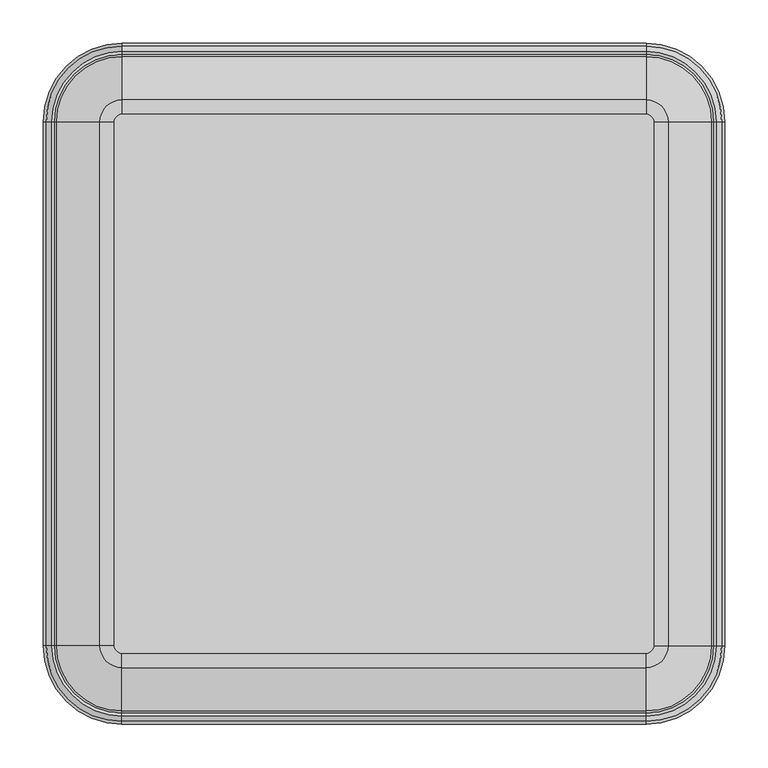
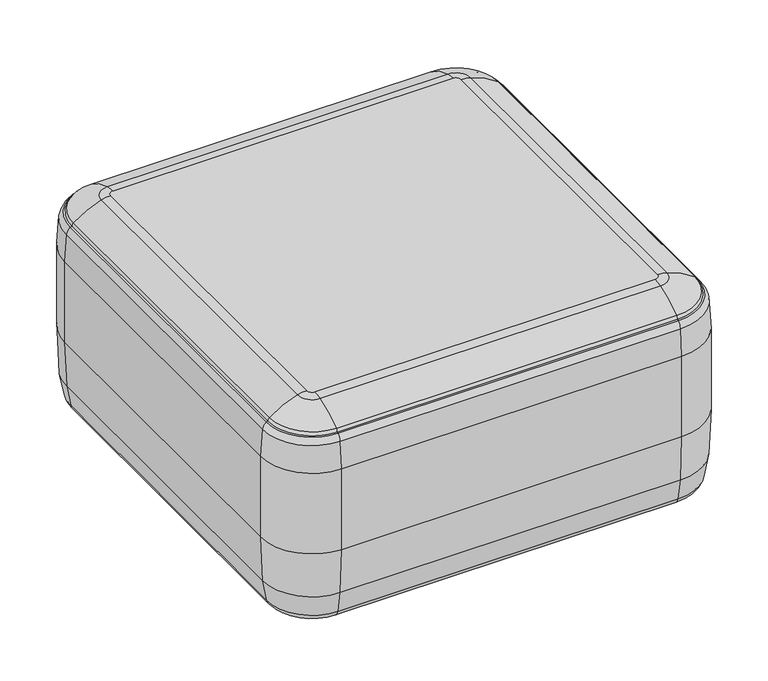
"""IFC4 building model written with IfcOpenShell, lengths in millimetres: furniture geometry."""

from ifc_helpers import new_model, si_unit, point, frame, origin, origin_with_axes, place, context, project, spatial, polyline, circle_curve, ellipse_curve, trimmed, outline, extrude, source, transform, mapped, element, save
from ifc_brep_helpers import plane_surface, cylinder_surface, revolved_surface, advanced_brep


def furniture_4ed78b52(model_context):
    return source(origin(), model_context, "Body", "SolidModel", [
        advanced_brep(
        [(-303.8564069, 391.2847288, 66.6428027), (-391.5582218, 303.5829138, 66.6428027), (-395.2964069, 303.5829138, 150.0055551), (-303.8564069, 395.0229138, 150.0055551), (-303.8564069, 384.0850563, 26.6784113), (-384.3585493, 303.5829138, 26.6784113), (-303.8564069, 362.6354646, 10.3055551), (-362.9089576, 303.5829138, 10.3055551), (303.8564069, 395.0229138, 150.0055551), (303.8564069, 391.2847288, 66.6428027), (303.8564069, 384.0850563, 26.6784113), (303.8564069, 362.6354646, 10.3055551), (395.2964069, 303.5829138, 150.0055551), (391.5582218, 303.5829138, 66.6428027), (384.3585493, 303.5829138, 26.6784113), (362.9089576, 303.5829138, 10.3055551), (395.2964069, -303.5829138, 150.0055551), (391.5582218, -303.5829138, 66.6428027), (384.3585493, -303.5829138, 26.6784113), (362.9089576, -303.5829138, 10.3055551), (303.8564069, -395.0229138, 150.0055551), (303.8564069, -391.2847288, 66.6428027), (303.8564069, -384.0850563, 26.6784113), (303.8564069, -362.6354646, 10.3055551), (-303.8564069, -395.0229138, 150.0055551), (-303.8564069, -391.2847288, 66.6428027), (-303.8564069, -384.0850563, 26.6784113), (-303.8564069, -362.6354646, 10.3055551), (-395.2964069, -303.5829138, 150.0055551), (-391.5582218, -303.5829138, 66.6428027), (-384.3585493, -303.5829138, 26.6784113), (-362.9089576, -303.5829138, 10.3055551), (-312.7464069, 303.5829138, 397.6555551), (-312.7464069, -303.5829138, 397.6555551), (-303.8564069, -312.4729138, 397.6555551), (303.8564069, -312.4729138, 397.6555551), (312.7464069, -303.5829138, 397.6555551), (312.7464069, 303.5829138, 397.6555551), (303.8564069, 312.4729138, 397.6555551), (-303.8564069, 312.4729138, 397.6555551), (-303.8564069, 329.1183199, 395.3686884), (-329.391813, 303.5829138, 395.3686884), (-303.8564069, 379.4573105, 369.9277622), (-379.7308036, 303.5829138, 369.9277622), (-303.8564069, 391.4318128, 352.1420231), (-391.7053059, 303.5829138, 352.1420231), (-385.6339942, 303.5829138, 363.2430683), (-303.8564069, 385.3605011, 363.2430683), (-303.8564069, 395.0229138, 302.4055551), (-395.2964069, 303.5829138, 302.4055551), (303.8564069, 329.1183199, 395.3686884), (303.8564069, 379.4573105, 369.9277622), (303.8564069, 385.3605011, 363.2430683), (303.8564069, 391.4318128, 352.1420231), (303.8564069, 395.0229138, 302.4055551), (329.391813, 303.5829138, 395.3686884), (379.7308036, 303.5829138, 369.9277622), (385.6339942, 303.5829138, 363.2430683), (391.7053059, 303.5829138, 352.1420231), (395.2964069, 303.5829138, 302.4055551), (329.391813, -303.5829138, 395.3686884), (379.7308036, -303.5829138, 369.9277622), (385.6339942, -303.5829138, 363.2430683), (391.7053059, -303.5829138, 352.1420231), (395.2964069, -303.5829138, 302.4055551), (303.8564069, -329.1183199, 395.3686884), (303.8564069, -379.4573105, 369.9277622), (303.8564069, -385.3605011, 363.2430683), (303.8564069, -391.4318128, 352.1420231), (303.8564069, -395.0229138, 302.4055551), (-303.8564069, -329.1183199, 395.3686884), (-303.8564069, -379.4573105, 369.9277622), (-303.8564069, -385.3605011, 363.2430683), (-303.8564069, -391.4318128, 352.1420231), (-303.8564069, -395.0229138, 302.4055551), (-329.391813, -303.5829138, 395.3686884), (-379.7308036, -303.5829138, 369.9277622), (-385.6339942, -303.5829138, 363.2430683), (-391.7053059, -303.5829138, 352.1420231), (-395.2964069, -303.5829138, 302.4055551), (-303.8564069, 381.4510186, 363.5559782), (-381.7245117, 303.5829138, 363.5559782), (303.8564069, 381.4510186, 363.5559782), (381.7245117, 303.5829138, 363.5559782), (381.7245117, -303.5829138, 363.5559782), (303.8564069, -381.4510186, 363.5559782), (-303.8564069, -381.4510186, 363.5559782), (-381.7245117, -303.5829138, 363.5559782)],
        [
            (0, 1, circle_curve(frame((-303.8564069, 303.5829138, 66.6428027), z_axis=(0.0, 0.0, 1.0), x_axis=(-1.0, 0.0, 0.0)), 87.7018149)),
            (1, 2, circle_curve(frame((536.081041, 303.5829138, 150.0055551), z_axis=(0.0, 1.0, 0.0), x_axis=(-1.0, 0.0, 0.0)), 931.3774478)),
            (2, 3, circle_curve(frame((-303.8564069, 303.5829138, 150.0055551), z_axis=(0.0, 0.0, -1.0), x_axis=(-1.0, 0.0, 0.0)), 91.44)),
            (3, 0, circle_curve(frame((-303.8564069, -536.354534, 150.0055551), z_axis=(-1.0, 0.0, 0.0), x_axis=(0.0, 1.0, 0.0)), 931.3774478)),
            (0, 4, circle_curve(frame((-303.8564069, 162.7824817, 87.177268), z_axis=(-1.0, 0.0, 0.0), x_axis=(0.0, 1.0, 0.0)), 229.4230615)),
            (4, 5, circle_curve(frame((-303.8564069, 303.5829138, 26.6784113), z_axis=(0.0, 0.0, 1.0), x_axis=(-1.0, 0.0, 0.0)), 80.5021425)),
            (5, 1, circle_curve(frame((-163.0559748, 303.5829138, 87.177268), z_axis=(0.0, 1.0, 0.0), x_axis=(-1.0, 0.0, 0.0)), 229.4230615)),
            (4, 6, circle_curve(frame((-303.8564069, 362.6354646, 32.5422191), z_axis=(-1.0, 0.0, 0.0), x_axis=(0.0, 1.0, 0.0)), 22.236664)),
            (6, 7, circle_curve(frame((-303.8564069, 303.5829138, 10.3055551), z_axis=(0.0, 0.0, 1.0), x_axis=(-1.0, 0.0, 0.0)), 59.0525507)),
            (7, 5, circle_curve(frame((-362.9089576, 303.5829138, 32.5422191), z_axis=(0.0, 1.0, 0.0), x_axis=(-1.0, 0.0, 0.0)), 22.236664)),
            (3, 8),
            (8, 9, circle_curve(frame((303.8564069, -536.354534, 150.0055551), z_axis=(-1.0, 0.0, 0.0), x_axis=(0.0, 1.0, 0.0)), 931.3774478)),
            (9, 0),
            (9, 10, circle_curve(frame((303.8564069, 162.7824817, 87.177268), z_axis=(-1.0, 0.0, 0.0), x_axis=(0.0, 1.0, 0.0)), 229.4230615)),
            (10, 4),
            (10, 11, circle_curve(frame((303.8564069, 362.6354646, 32.5422191), z_axis=(-1.0, 0.0, 0.0), x_axis=(0.0, 1.0, 0.0)), 22.236664)),
            (11, 6),
            (8, 12, circle_curve(frame((303.8564069, 303.5829138, 150.0055551), z_axis=(0.0, 0.0, -1.0), x_axis=(0.0, 1.0, 0.0)), 91.44)),
            (12, 13, circle_curve(frame((-536.081041, 303.5829138, 150.0055551), z_axis=(0.0, 1.0, 0.0), x_axis=(1.0, 0.0, 0.0)), 931.3774478)),
            (13, 9, circle_curve(frame((303.8564069, 303.5829138, 66.6428027), z_axis=(0.0, 0.0, 1.0), x_axis=(0.0, 1.0, 0.0)), 87.7018149)),
            (13, 14, circle_curve(frame((163.0559748, 303.5829138, 87.177268), z_axis=(0.0, 1.0, 0.0), x_axis=(1.0, 0.0, 0.0)), 229.4230615)),
            (14, 10, circle_curve(frame((303.8564069, 303.5829138, 26.6784113), z_axis=(0.0, 0.0, 1.0), x_axis=(0.0, 1.0, 0.0)), 80.5021425)),
            (14, 15, circle_curve(frame((362.9089576, 303.5829138, 32.5422191), z_axis=(0.0, 1.0, 0.0), x_axis=(1.0, 0.0, 0.0)), 22.236664)),
            (15, 11, circle_curve(frame((303.8564069, 303.5829138, 10.3055551), z_axis=(0.0, 0.0, 1.0), x_axis=(0.0, 1.0, 0.0)), 59.0525507)),
            (12, 16),
            (16, 17, circle_curve(frame((-536.081041, -303.5829138, 150.0055551), z_axis=(0.0, 1.0, 0.0), x_axis=(1.0, 0.0, 0.0)), 931.3774478)),
            (17, 13),
            (17, 18, circle_curve(frame((163.0559748, -303.5829138, 87.177268), z_axis=(0.0, 1.0, 0.0), x_axis=(1.0, 0.0, 0.0)), 229.4230615)),
            (18, 14),
            (18, 19, circle_curve(frame((362.9089576, -303.5829138, 32.5422191), z_axis=(0.0, 1.0, 0.0), x_axis=(1.0, 0.0, 0.0)), 22.236664)),
            (19, 15),
            (16, 20, circle_curve(frame((303.8564069, -303.5829138, 150.0055551), z_axis=(0.0, 0.0, -1.0), x_axis=(1.0, 0.0, 0.0)), 91.44)),
            (20, 21, circle_curve(frame((303.8564069, 536.354534, 150.0055551), z_axis=(1.0, 0.0, 0.0), x_axis=(0.0, -1.0, 0.0)), 931.3774478)),
            (21, 17, circle_curve(frame((303.8564069, -303.5829138, 66.6428027), z_axis=(0.0, 0.0, 1.0), x_axis=(1.0, 0.0, 0.0)), 87.7018149)),
            (21, 22, circle_curve(frame((303.8564069, -162.7824817, 87.177268), z_axis=(1.0, 0.0, 0.0), x_axis=(0.0, -1.0, 0.0)), 229.4230615)),
            (22, 18, circle_curve(frame((303.8564069, -303.5829138, 26.6784113), z_axis=(0.0, 0.0, 1.0), x_axis=(1.0, 0.0, 0.0)), 80.5021425)),
            (22, 23, circle_curve(frame((303.8564069, -362.6354646, 32.5422191), z_axis=(1.0, 0.0, 0.0), x_axis=(0.0, -1.0, 0.0)), 22.236664)),
            (23, 19, circle_curve(frame((303.8564069, -303.5829138, 10.3055551), z_axis=(0.0, 0.0, 1.0), x_axis=(1.0, 0.0, 0.0)), 59.0525507)),
            (20, 24),
            (24, 25, circle_curve(frame((-303.8564069, 536.354534, 150.0055551), z_axis=(1.0, 0.0, 0.0), x_axis=(0.0, -1.0, 0.0)), 931.3774478)),
            (25, 21),
            (25, 26, circle_curve(frame((-303.8564069, -162.7824817, 87.177268), z_axis=(1.0, 0.0, 0.0), x_axis=(0.0, -1.0, 0.0)), 229.4230615)),
            (26, 22),
            (26, 27, circle_curve(frame((-303.8564069, -362.6354646, 32.5422191), z_axis=(1.0, 0.0, 0.0), x_axis=(0.0, -1.0, 0.0)), 22.236664)),
            (27, 23),
            (24, 28, circle_curve(frame((-303.8564069, -303.5829138, 150.0055551), z_axis=(0.0, 0.0, -1.0), x_axis=(0.0, -1.0, 0.0)), 91.44)),
            (28, 29, circle_curve(frame((536.081041, -303.5829138, 150.0055551), z_axis=(0.0, -1.0, 0.0), x_axis=(-1.0, 0.0, 0.0)), 931.3774478)),
            (29, 25, circle_curve(frame((-303.8564069, -303.5829138, 66.6428027), z_axis=(0.0, 0.0, 1.0), x_axis=(0.0, -1.0, 0.0)), 87.7018149)),
            (29, 30, circle_curve(frame((-163.0559748, -303.5829138, 87.177268), z_axis=(0.0, -1.0, 0.0), x_axis=(-1.0, 0.0, 0.0)), 229.4230615)),
            (30, 26, circle_curve(frame((-303.8564069, -303.5829138, 26.6784113), z_axis=(0.0, 0.0, 1.0), x_axis=(0.0, -1.0, 0.0)), 80.5021425)),
            (30, 31, circle_curve(frame((-362.9089576, -303.5829138, 32.5422191), z_axis=(0.0, -1.0, 0.0), x_axis=(-1.0, 0.0, 0.0)), 22.236664)),
            (31, 27, circle_curve(frame((-303.8564069, -303.5829138, 10.3055551), z_axis=(0.0, 0.0, 1.0), x_axis=(0.0, -1.0, 0.0)), 59.0525507)),
            (1, 29),
            (28, 2),
            (5, 30),
            (7, 31),
            (32, 33),
            (33, 34, circle_curve(frame((-303.8564069, -303.5829138, 397.6555551), z_axis=(0.0, 0.0, 1.0), x_axis=(0.0, -1.0, 0.0)), 8.89)),
            (34, 35),
            (35, 36, circle_curve(frame((303.8564069, -303.5829138, 397.6555551), z_axis=(0.0, 0.0, 1.0), x_axis=(1.0, 0.0, 0.0)), 8.89)),
            (36, 37),
            (37, 38, circle_curve(frame((303.8564069, 303.5829138, 397.6555551), z_axis=(0.0, 0.0, 1.0), x_axis=(0.0, 1.0, 0.0)), 8.89)),
            (38, 39),
            (39, 32, circle_curve(frame((-303.8564069, 303.5829138, 397.6555551), z_axis=(0.0, 0.0, 1.0), x_axis=(-1.0, 0.0, 0.0)), 8.89)),
            (39, 40, circle_curve(frame((-303.8564069, 312.4729138, 335.9337006), z_axis=(-1.0, 0.0, 0.0), x_axis=(0.0, 1.0, 0.0)), 61.7218545)),
            (40, 41, circle_curve(frame((-303.8564069, 303.5829138, 395.3686884), z_axis=(0.0, 0.0, 1.0), x_axis=(-1.0, 0.0, 0.0)), 25.5354061)),
            (41, 32, circle_curve(frame((-312.7464069, 303.5829138, 335.9337006), z_axis=(0.0, 1.0, 0.0), x_axis=(-1.0, 0.0, 0.0)), 61.7218545)),
            (40, 42, circle_curve(frame((-303.8564069, 289.8452746, 255.1382274), z_axis=(-1.0, 0.0, 0.0), x_axis=(0.0, 1.0, 0.0)), 145.6260769)),
            (42, 43, circle_curve(frame((-303.8564069, 303.5829138, 369.9277622), z_axis=(0.0, 0.0, 1.0), x_axis=(-1.0, 0.0, 0.0)), 75.8743967)),
            (43, 41, circle_curve(frame((-290.1187677, 303.5829138, 255.1382274), z_axis=(0.0, 1.0, 0.0), x_axis=(-1.0, 0.0, 0.0)), 145.6260769)),
            (44, 45, circle_curve(frame((-303.8564069, 303.5829138, 352.1420231), z_axis=(0.0, 0.0, 1.0), x_axis=(-1.0, 0.0, 0.0)), 87.848899)),
            (45, 46, circle_curve(frame((-373.7569925, 303.5829138, 349.5366117), z_axis=(0.0, 1.0, 0.0), x_axis=(-1.0, 0.0, 0.0)), 18.1364308)),
            (46, 47, circle_curve(frame((-303.8564069, 303.5829138, 363.2430683), z_axis=(0.0, 0.0, -1.0), x_axis=(-1.0, 0.0, 0.0)), 81.7775873)),
            (47, 44, circle_curve(frame((-303.8564069, 373.4834994, 349.5366117), z_axis=(-1.0, 0.0, 0.0), x_axis=(0.0, 1.0, 0.0)), 18.1364308)),
            (44, 48, circle_curve(frame((-303.8564069, 48.8042689, 302.4055551), z_axis=(-1.0, 0.0, 0.0), x_axis=(0.0, 1.0, 0.0)), 346.2186449)),
            (48, 49, circle_curve(frame((-303.8564069, 303.5829138, 302.4055551), z_axis=(0.0, 0.0, 1.0), x_axis=(-1.0, 0.0, 0.0)), 91.44)),
            (49, 45, circle_curve(frame((-49.077762, 303.5829138, 302.4055551), z_axis=(0.0, 1.0, 0.0), x_axis=(-1.0, 0.0, 0.0)), 346.2186449)),
            (2, 49),
            (48, 3),
            (38, 50, circle_curve(frame((303.8564069, 312.4729138, 335.9337006), z_axis=(-1.0, 0.0, 0.0), x_axis=(0.0, 1.0, 0.0)), 61.7218545)),
            (50, 40),
            (50, 51, circle_curve(frame((303.8564069, 289.8452746, 255.1382274), z_axis=(-1.0, 0.0, 0.0), x_axis=(0.0, 1.0, 0.0)), 145.6260769)),
            (51, 42),
            (47, 52),
            (52, 53, circle_curve(frame((303.8564069, 373.4834994, 349.5366117), z_axis=(-1.0, 0.0, 0.0), x_axis=(0.0, 1.0, 0.0)), 18.1364308)),
            (53, 44),
            (53, 54, circle_curve(frame((303.8564069, 48.8042689, 302.4055551), z_axis=(-1.0, 0.0, 0.0), x_axis=(0.0, 1.0, 0.0)), 346.2186449)),
            (54, 48),
            (54, 8),
            (37, 55, circle_curve(frame((312.7464069, 303.5829138, 335.9337006), z_axis=(0.0, 1.0, 0.0), x_axis=(1.0, 0.0, 0.0)), 61.7218545)),
            (55, 50, circle_curve(frame((303.8564069, 303.5829138, 395.3686884), z_axis=(0.0, 0.0, 1.0), x_axis=(0.0, 1.0, 0.0)), 25.5354061)),
            (55, 56, circle_curve(frame((290.1187677, 303.5829138, 255.1382274), z_axis=(0.0, 1.0, 0.0), x_axis=(1.0, 0.0, 0.0)), 145.6260769)),
            (56, 51, circle_curve(frame((303.8564069, 303.5829138, 369.9277622), z_axis=(0.0, 0.0, 1.0), x_axis=(0.0, 1.0, 0.0)), 75.8743967)),
            (52, 57, circle_curve(frame((303.8564069, 303.5829138, 363.2430683), z_axis=(0.0, 0.0, -1.0), x_axis=(0.0, 1.0, 0.0)), 81.7775873)),
            (57, 58, circle_curve(frame((373.7569925, 303.5829138, 349.5366117), z_axis=(0.0, 1.0, 0.0), x_axis=(1.0, 0.0, 0.0)), 18.1364308)),
            (58, 53, circle_curve(frame((303.8564069, 303.5829138, 352.1420231), z_axis=(0.0, 0.0, 1.0), x_axis=(0.0, 1.0, 0.0)), 87.848899)),
            (58, 59, circle_curve(frame((49.077762, 303.5829138, 302.4055551), z_axis=(0.0, 1.0, 0.0), x_axis=(1.0, 0.0, 0.0)), 346.2186449)),
            (59, 54, circle_curve(frame((303.8564069, 303.5829138, 302.4055551), z_axis=(0.0, 0.0, 1.0), x_axis=(0.0, 1.0, 0.0)), 91.44)),
            (59, 12),
            (36, 60, circle_curve(frame((312.7464069, -303.5829138, 335.9337006), z_axis=(0.0, 1.0, 0.0), x_axis=(1.0, 0.0, 0.0)), 61.7218545)),
            (60, 55),
            (60, 61, circle_curve(frame((290.1187677, -303.5829138, 255.1382274), z_axis=(0.0, 1.0, 0.0), x_axis=(1.0, 0.0, 0.0)), 145.6260769)),
            (61, 56),
            (57, 62),
            (62, 63, circle_curve(frame((373.7569925, -303.5829138, 349.5366117), z_axis=(0.0, 1.0, 0.0), x_axis=(1.0, 0.0, 0.0)), 18.1364308)),
            (63, 58),
            (63, 64, circle_curve(frame((49.077762, -303.5829138, 302.4055551), z_axis=(0.0, 1.0, 0.0), x_axis=(1.0, 0.0, 0.0)), 346.2186449)),
            (64, 59),
            (64, 16),
            (35, 65, circle_curve(frame((303.8564069, -312.4729138, 335.9337006), z_axis=(1.0, 0.0, 0.0), x_axis=(0.0, -1.0, 0.0)), 61.7218545)),
            (65, 60, circle_curve(frame((303.8564069, -303.5829138, 395.3686884), z_axis=(0.0, 0.0, 1.0), x_axis=(1.0, 0.0, 0.0)), 25.5354061)),
            (65, 66, circle_curve(frame((303.8564069, -289.8452746, 255.1382274), z_axis=(1.0, 0.0, 0.0), x_axis=(0.0, -1.0, 0.0)), 145.6260769)),
            (66, 61, circle_curve(frame((303.8564069, -303.5829138, 369.9277622), z_axis=(0.0, 0.0, 1.0), x_axis=(1.0, 0.0, 0.0)), 75.8743967)),
            (62, 67, circle_curve(frame((303.8564069, -303.5829138, 363.2430683), z_axis=(0.0, 0.0, -1.0), x_axis=(1.0, 0.0, 0.0)), 81.7775873)),
            (67, 68, circle_curve(frame((303.8564069, -373.4834994, 349.5366117), z_axis=(1.0, 0.0, 0.0), x_axis=(0.0, -1.0, 0.0)), 18.1364308)),
            (68, 63, circle_curve(frame((303.8564069, -303.5829138, 352.1420231), z_axis=(0.0, 0.0, 1.0), x_axis=(1.0, 0.0, 0.0)), 87.848899)),
            (68, 69, circle_curve(frame((303.8564069, -48.8042689, 302.4055551), z_axis=(1.0, 0.0, 0.0), x_axis=(0.0, -1.0, 0.0)), 346.2186449)),
            (69, 64, circle_curve(frame((303.8564069, -303.5829138, 302.4055551), z_axis=(0.0, 0.0, 1.0), x_axis=(1.0, 0.0, 0.0)), 91.44)),
            (69, 20),
            (34, 70, circle_curve(frame((-303.8564069, -312.4729138, 335.9337006), z_axis=(1.0, 0.0, 0.0), x_axis=(0.0, -1.0, 0.0)), 61.7218545)),
            (70, 65),
            (70, 71, circle_curve(frame((-303.8564069, -289.8452746, 255.1382274), z_axis=(1.0, 0.0, 0.0), x_axis=(0.0, -1.0, 0.0)), 145.6260769)),
            (71, 66),
            (67, 72),
            (72, 73, circle_curve(frame((-303.8564069, -373.4834994, 349.5366117), z_axis=(1.0, 0.0, 0.0), x_axis=(0.0, -1.0, 0.0)), 18.1364308)),
            (73, 68),
            (73, 74, circle_curve(frame((-303.8564069, -48.8042689, 302.4055551), z_axis=(1.0, 0.0, 0.0), x_axis=(0.0, -1.0, 0.0)), 346.2186449)),
            (74, 69),
            (74, 24),
            (33, 75, circle_curve(frame((-312.7464069, -303.5829138, 335.9337006), z_axis=(0.0, -1.0, 0.0), x_axis=(-1.0, 0.0, 0.0)), 61.7218545)),
            (75, 70, circle_curve(frame((-303.8564069, -303.5829138, 395.3686884), z_axis=(0.0, 0.0, 1.0), x_axis=(0.0, -1.0, 0.0)), 25.5354061)),
            (75, 76, circle_curve(frame((-290.1187677, -303.5829138, 255.1382274), z_axis=(0.0, -1.0, 0.0), x_axis=(-1.0, 0.0, 0.0)), 145.6260769)),
            (76, 71, circle_curve(frame((-303.8564069, -303.5829138, 369.9277622), z_axis=(0.0, 0.0, 1.0), x_axis=(0.0, -1.0, 0.0)), 75.8743967)),
            (72, 77, circle_curve(frame((-303.8564069, -303.5829138, 363.2430683), z_axis=(0.0, 0.0, -1.0), x_axis=(0.0, -1.0, 0.0)), 81.7775873)),
            (77, 78, circle_curve(frame((-373.7569925, -303.5829138, 349.5366117), z_axis=(0.0, -1.0, 0.0), x_axis=(-1.0, 0.0, 0.0)), 18.1364308)),
            (78, 73, circle_curve(frame((-303.8564069, -303.5829138, 352.1420231), z_axis=(0.0, 0.0, 1.0), x_axis=(0.0, -1.0, 0.0)), 87.848899)),
            (78, 79, circle_curve(frame((-49.077762, -303.5829138, 302.4055551), z_axis=(0.0, -1.0, 0.0), x_axis=(-1.0, 0.0, 0.0)), 346.2186449)),
            (79, 74, circle_curve(frame((-303.8564069, -303.5829138, 302.4055551), z_axis=(0.0, 0.0, 1.0), x_axis=(0.0, -1.0, 0.0)), 91.44)),
            (79, 28),
            (41, 75),
            (43, 76),
            (45, 78),
            (77, 46),
            (49, 79),
            (42, 80, circle_curve(frame((-303.8564069, 375.8441184, 365.2994035), z_axis=(-1.0, 0.0, 0.0), x_axis=(0.0, -1.0, 0.0)), 5.8717001)),
            (80, 81, circle_curve(frame((-303.8564069, 303.5829138, 363.5559782), z_axis=(0.0, 0.0, 1.0), x_axis=(-1.0, 0.0, 0.0)), 77.8681048)),
            (81, 43, circle_curve(frame((-376.1176114, 303.5829138, 365.2994035), z_axis=(0.0, 1.0, 0.0), x_axis=(1.0, 0.0, 0.0)), 5.8717001)),
            (46, 81, circle_curve(frame((-383.4665273, 303.5829138, 360.7417392), z_axis=(0.0, 1.0, 0.0), x_axis=(1.0, 0.0, 0.0)), 3.3097674)),
            (80, 47, circle_curve(frame((-303.8564069, 383.1930343, 360.7417392), z_axis=(-1.0, 0.0, 0.0), x_axis=(0.0, -1.0, 0.0)), 3.3097674)),
            (51, 82, circle_curve(frame((303.8564069, 375.8441184, 365.2994035), z_axis=(-1.0, 0.0, 0.0), x_axis=(0.0, -1.0, 0.0)), 5.8717001)),
            (82, 80),
            (82, 52, circle_curve(frame((303.8564069, 383.1930343, 360.7417392), z_axis=(-1.0, 0.0, 0.0), x_axis=(0.0, -1.0, 0.0)), 3.3097674)),
            (56, 83, circle_curve(frame((376.1176114, 303.5829138, 365.2994035), z_axis=(0.0, 1.0, 0.0), x_axis=(-1.0, 0.0, 0.0)), 5.8717001)),
            (83, 82, circle_curve(frame((303.8564069, 303.5829138, 363.5559782), z_axis=(0.0, 0.0, 1.0), x_axis=(0.0, 1.0, 0.0)), 77.8681048)),
            (83, 57, circle_curve(frame((383.4665273, 303.5829138, 360.7417392), z_axis=(0.0, 1.0, 0.0), x_axis=(-1.0, 0.0, 0.0)), 3.3097674)),
            (61, 84, circle_curve(frame((376.1176114, -303.5829138, 365.2994035), z_axis=(0.0, 1.0, 0.0), x_axis=(-1.0, 0.0, 0.0)), 5.8717001)),
            (84, 83),
            (84, 62, circle_curve(frame((383.4665273, -303.5829138, 360.7417392), z_axis=(0.0, 1.0, 0.0), x_axis=(-1.0, 0.0, 0.0)), 3.3097674)),
            (66, 85, circle_curve(frame((303.8564069, -375.8441184, 365.2994035), z_axis=(1.0, 0.0, 0.0), x_axis=(0.0, 1.0, 0.0)), 5.8717001)),
            (85, 84, circle_curve(frame((303.8564069, -303.5829138, 363.5559782), z_axis=(0.0, 0.0, 1.0), x_axis=(1.0, 0.0, 0.0)), 77.8681048)),
            (85, 67, circle_curve(frame((303.8564069, -383.1930343, 360.7417392), z_axis=(1.0, 0.0, 0.0), x_axis=(0.0, 1.0, 0.0)), 3.3097674)),
            (71, 86, circle_curve(frame((-303.8564069, -375.8441184, 365.2994035), z_axis=(1.0, 0.0, 0.0), x_axis=(0.0, 1.0, 0.0)), 5.8717001)),
            (86, 85),
            (86, 72, circle_curve(frame((-303.8564069, -383.1930343, 360.7417392), z_axis=(1.0, 0.0, 0.0), x_axis=(0.0, 1.0, 0.0)), 3.3097674)),
            (76, 87, circle_curve(frame((-376.1176114, -303.5829138, 365.2994035), z_axis=(0.0, -1.0, 0.0), x_axis=(1.0, 0.0, 0.0)), 5.8717001)),
            (87, 86, circle_curve(frame((-303.8564069, -303.5829138, 363.5559782), z_axis=(0.0, 0.0, 1.0), x_axis=(0.0, -1.0, 0.0)), 77.8681048)),
            (87, 77, circle_curve(frame((-383.4665273, -303.5829138, 360.7417392), z_axis=(0.0, -1.0, 0.0), x_axis=(1.0, 0.0, 0.0)), 3.3097674)),
            (81, 87),
        ],
        [
            revolved_surface(trimmed(ellipse_curve(frame((536.081041, 303.5829138, 150.0055551), z_axis=(0.0, -1.0, 0.0), x_axis=(-1.0, 0.0, 0.0)), 931.3774478, 931.3774478), [point((-395.2964069, 303.5829138, 150.0055551))], [point((-391.5582218, 303.5829138, 66.6428027))], True, "CARTESIAN"), (-303.8564069, 303.5829138, 10.3055551), (0.0, 0.0, -1.0)),
            revolved_surface(trimmed(ellipse_curve(frame((-163.0559748, 303.5829138, 87.177268), z_axis=(0.0, -1.0, 0.0), x_axis=(-1.0, 0.0, 0.0)), 229.4230615, 229.4230615), [point((-391.5582218, 303.5829138, 66.6428027))], [point((-384.3585493, 303.5829138, 26.6784113))], True, "CARTESIAN"), (-303.8564069, 303.5829138, 10.3055551), (0.0, 0.0, -1.0)),
            revolved_surface(trimmed(ellipse_curve(frame((-362.9089576, 303.5829138, 32.5422191), z_axis=(0.0, -1.0, 0.0), x_axis=(-1.0, 0.0, 0.0)), 22.236664, 22.236664), [point((-384.3585493, 303.5829138, 26.6784113))], [point((-362.9089576, 303.5829138, 10.3055551))], True, "CARTESIAN"), (-303.8564069, 303.5829138, 10.3055551), (0.0, 0.0, -1.0)),
            cylinder_surface(frame((-303.8564069, -536.354534, 150.0055551), z_axis=(-1.0, 0.0, 0.0), x_axis=(0.0, 1.0, 0.0)), 931.3774478),
            cylinder_surface(frame((-303.8564069, 162.7824817, 87.177268), z_axis=(-1.0, 0.0, 0.0), x_axis=(0.0, 1.0, 0.0)), 229.4230615),
            cylinder_surface(frame((-303.8564069, 362.6354646, 32.5422191), z_axis=(-1.0, 0.0, 0.0), x_axis=(0.0, 1.0, 0.0)), 22.236664),
            revolved_surface(trimmed(ellipse_curve(frame((303.8564069, -536.354534, 150.0055551), z_axis=(-1.0, 0.0, 0.0), x_axis=(0.0, 1.0, 0.0)), 931.3774478, 931.3774478), [point((303.8564069, 395.0229138, 150.0055551))], [point((303.8564069, 391.2847288, 66.6428027))], True, "CARTESIAN"), (303.8564069, 303.5829138, 10.3055551), (0.0, 0.0, -1.0)),
            revolved_surface(trimmed(ellipse_curve(frame((303.8564069, 162.7824817, 87.177268), z_axis=(-1.0, 0.0, 0.0), x_axis=(0.0, 1.0, 0.0)), 229.4230615, 229.4230615), [point((303.8564069, 391.2847288, 66.6428027))], [point((303.8564069, 384.0850563, 26.6784113))], True, "CARTESIAN"), (303.8564069, 303.5829138, 10.3055551), (0.0, 0.0, -1.0)),
            revolved_surface(trimmed(ellipse_curve(frame((303.8564069, 362.6354646, 32.5422191), z_axis=(-1.0, 0.0, 0.0), x_axis=(0.0, 1.0, 0.0)), 22.236664, 22.236664), [point((303.8564069, 384.0850563, 26.6784113))], [point((303.8564069, 362.6354646, 10.3055551))], True, "CARTESIAN"), (303.8564069, 303.5829138, 10.3055551), (0.0, 0.0, -1.0)),
            cylinder_surface(frame((-536.081041, 303.5829138, 150.0055551), z_axis=(0.0, 1.0, 0.0), x_axis=(1.0, 0.0, 0.0)), 931.3774478),
            cylinder_surface(frame((163.0559748, 303.5829138, 87.177268), z_axis=(0.0, 1.0, 0.0), x_axis=(1.0, 0.0, 0.0)), 229.4230615),
            cylinder_surface(frame((362.9089576, 303.5829138, 32.5422191), z_axis=(0.0, 1.0, 0.0), x_axis=(1.0, 0.0, 0.0)), 22.236664),
            revolved_surface(trimmed(ellipse_curve(frame((-536.081041, -303.5829138, 150.0055551), z_axis=(0.0, 1.0, 0.0), x_axis=(1.0, 0.0, 0.0)), 931.3774478, 931.3774478), [point((395.2964069, -303.5829138, 150.0055551))], [point((391.5582218, -303.5829138, 66.6428027))], True, "CARTESIAN"), (303.8564069, -303.5829138, 10.3055551), (0.0, 0.0, -1.0)),
            revolved_surface(trimmed(ellipse_curve(frame((163.0559748, -303.5829138, 87.177268), z_axis=(0.0, 1.0, 0.0), x_axis=(1.0, 0.0, 0.0)), 229.4230615, 229.4230615), [point((391.5582218, -303.5829138, 66.6428027))], [point((384.3585493, -303.5829138, 26.6784113))], True, "CARTESIAN"), (303.8564069, -303.5829138, 10.3055551), (0.0, 0.0, -1.0)),
            revolved_surface(trimmed(ellipse_curve(frame((362.9089576, -303.5829138, 32.5422191), z_axis=(0.0, 1.0, 0.0), x_axis=(1.0, 0.0, 0.0)), 22.236664, 22.236664), [point((384.3585493, -303.5829138, 26.6784113))], [point((362.9089576, -303.5829138, 10.3055551))], True, "CARTESIAN"), (303.8564069, -303.5829138, 10.3055551), (0.0, 0.0, -1.0)),
            cylinder_surface(frame((303.8564069, 536.354534, 150.0055551), z_axis=(1.0, 0.0, 0.0), x_axis=(0.0, -1.0, 0.0)), 931.3774478),
            cylinder_surface(frame((303.8564069, -162.7824817, 87.177268), z_axis=(1.0, 0.0, 0.0), x_axis=(0.0, -1.0, 0.0)), 229.4230615),
            cylinder_surface(frame((303.8564069, -362.6354646, 32.5422191), z_axis=(1.0, 0.0, 0.0), x_axis=(0.0, -1.0, 0.0)), 22.236664),
            revolved_surface(trimmed(ellipse_curve(frame((-303.8564069, 536.354534, 150.0055551), z_axis=(1.0, 0.0, 0.0), x_axis=(0.0, -1.0, 0.0)), 931.3774478, 931.3774478), [point((-303.8564069, -395.0229138, 150.0055551))], [point((-303.8564069, -391.2847288, 66.6428027))], True, "CARTESIAN"), (-303.8564069, -303.5829138, 10.3055551), (0.0, 0.0, -1.0)),
            revolved_surface(trimmed(ellipse_curve(frame((-303.8564069, -162.7824817, 87.177268), z_axis=(1.0, 0.0, 0.0), x_axis=(0.0, -1.0, 0.0)), 229.4230615, 229.4230615), [point((-303.8564069, -391.2847288, 66.6428027))], [point((-303.8564069, -384.0850563, 26.6784113))], True, "CARTESIAN"), (-303.8564069, -303.5829138, 10.3055551), (0.0, 0.0, -1.0)),
            revolved_surface(trimmed(ellipse_curve(frame((-303.8564069, -362.6354646, 32.5422191), z_axis=(1.0, 0.0, 0.0), x_axis=(0.0, -1.0, 0.0)), 22.236664, 22.236664), [point((-303.8564069, -384.0850563, 26.6784113))], [point((-303.8564069, -362.6354646, 10.3055551))], True, "CARTESIAN"), (-303.8564069, -303.5829138, 10.3055551), (0.0, 0.0, -1.0)),
            cylinder_surface(frame((536.081041, -303.5829138, 150.0055551), z_axis=(0.0, -1.0, 0.0), x_axis=(-1.0, 0.0, 0.0)), 931.3774478),
            cylinder_surface(frame((-163.0559748, -303.5829138, 87.177268), z_axis=(0.0, -1.0, 0.0), x_axis=(-1.0, 0.0, 0.0)), 229.4230615),
            cylinder_surface(frame((-362.9089576, -303.5829138, 32.5422191), z_axis=(0.0, -1.0, 0.0), x_axis=(-1.0, 0.0, 0.0)), 22.236664),
            plane_surface(frame((-362.9089576, -303.5829138, 10.3055551), z_axis=(0.0, 0.0, -1.0), x_axis=(0.0, 1.0, 0.0))),
            plane_surface(frame((-306.3964069, -303.5829138, 397.6555551), z_axis=(0.0, 0.0, 1.0), x_axis=(0.0, 1.0, 0.0))),
            revolved_surface(trimmed(ellipse_curve(frame((-312.7464069, 303.5829138, 335.9337006), z_axis=(0.0, -1.0, 0.0), x_axis=(-1.0, 0.0, 0.0)), 61.7218545, 61.7218545), [point((-312.7464069, 303.5829138, 397.6555551))], [point((-329.391813, 303.5829138, 395.3686884))], True, "CARTESIAN"), (-303.8564069, 303.5829138, 10.3055551), (0.0, 0.0, -1.0)),
            revolved_surface(trimmed(ellipse_curve(frame((-290.1187677, 303.5829138, 255.1382274), z_axis=(0.0, -1.0, 0.0), x_axis=(-1.0, 0.0, 0.0)), 145.6260769, 145.6260769), [point((-329.391813, 303.5829138, 395.3686884))], [point((-379.7308036, 303.5829138, 369.9277622))], True, "CARTESIAN"), (-303.8564069, 303.5829138, 10.3055551), (0.0, 0.0, -1.0)),
            revolved_surface(trimmed(ellipse_curve(frame((-373.7569925, 303.5829138, 349.5366117), z_axis=(0.0, -1.0, 0.0), x_axis=(-1.0, 0.0, 0.0)), 18.1364308, 18.1364308), [point((-385.6339942, 303.5829138, 363.2430683))], [point((-391.7053059, 303.5829138, 352.1420231))], True, "CARTESIAN"), (-303.8564069, 303.5829138, 10.3055551), (0.0, 0.0, -1.0)),
            revolved_surface(trimmed(ellipse_curve(frame((-49.077762, 303.5829138, 302.4055551), z_axis=(0.0, -1.0, 0.0), x_axis=(-1.0, 0.0, 0.0)), 346.2186449, 346.2186449), [point((-391.7053059, 303.5829138, 352.1420231))], [point((-395.2964069, 303.5829138, 302.4055551))], True, "CARTESIAN"), (-303.8564069, 303.5829138, 10.3055551), (0.0, 0.0, -1.0)),
            cylinder_surface(frame((-303.8564069, 303.5829138, 10.3055551), z_axis=(0.0, 0.0, -1.0), x_axis=(-1.0, 0.0, 0.0)), 91.44),
            cylinder_surface(frame((-303.8564069, 312.4729138, 335.9337006), z_axis=(-1.0, 0.0, 0.0), x_axis=(0.0, 1.0, 0.0)), 61.7218545),
            cylinder_surface(frame((-303.8564069, 289.8452746, 255.1382274), z_axis=(-1.0, 0.0, 0.0), x_axis=(0.0, 1.0, 0.0)), 145.6260769),
            cylinder_surface(frame((-303.8564069, 373.4834994, 349.5366117), z_axis=(-1.0, 0.0, 0.0), x_axis=(0.0, 1.0, 0.0)), 18.1364308),
            cylinder_surface(frame((-303.8564069, 48.8042689, 302.4055551), z_axis=(-1.0, 0.0, 0.0), x_axis=(0.0, 1.0, 0.0)), 346.2186449),
            plane_surface(frame((-303.8564069, 395.0229138, 302.4055551), z_axis=(0.0, 1.0, 0.0), x_axis=(1.0, 0.0, 0.0))),
            revolved_surface(trimmed(ellipse_curve(frame((303.8564069, 312.4729138, 335.9337006), z_axis=(-1.0, 0.0, 0.0), x_axis=(0.0, 1.0, 0.0)), 61.7218545, 61.7218545), [point((303.8564069, 312.4729138, 397.6555551))], [point((303.8564069, 329.1183199, 395.3686884))], True, "CARTESIAN"), (303.8564069, 303.5829138, 10.3055551), (0.0, 0.0, -1.0)),
            revolved_surface(trimmed(ellipse_curve(frame((303.8564069, 289.8452746, 255.1382274), z_axis=(-1.0, 0.0, 0.0), x_axis=(0.0, 1.0, 0.0)), 145.6260769, 145.6260769), [point((303.8564069, 329.1183199, 395.3686884))], [point((303.8564069, 379.4573105, 369.9277622))], True, "CARTESIAN"), (303.8564069, 303.5829138, 10.3055551), (0.0, 0.0, -1.0)),
            revolved_surface(trimmed(ellipse_curve(frame((303.8564069, 373.4834994, 349.5366117), z_axis=(-1.0, 0.0, 0.0), x_axis=(0.0, 1.0, 0.0)), 18.1364308, 18.1364308), [point((303.8564069, 385.3605011, 363.2430683))], [point((303.8564069, 391.4318128, 352.1420231))], True, "CARTESIAN"), (303.8564069, 303.5829138, 10.3055551), (0.0, 0.0, -1.0)),
            revolved_surface(trimmed(ellipse_curve(frame((303.8564069, 48.8042689, 302.4055551), z_axis=(-1.0, 0.0, 0.0), x_axis=(0.0, 1.0, 0.0)), 346.2186449, 346.2186449), [point((303.8564069, 391.4318128, 352.1420231))], [point((303.8564069, 395.0229138, 302.4055551))], True, "CARTESIAN"), (303.8564069, 303.5829138, 10.3055551), (0.0, 0.0, -1.0)),
            cylinder_surface(frame((303.8564069, 303.5829138, 10.3055551), z_axis=(0.0, 0.0, -1.0), x_axis=(0.0, 1.0, 0.0)), 91.44),
            cylinder_surface(frame((312.7464069, 303.5829138, 335.9337006), z_axis=(0.0, 1.0, 0.0), x_axis=(1.0, 0.0, 0.0)), 61.7218545),
            cylinder_surface(frame((290.1187677, 303.5829138, 255.1382274), z_axis=(0.0, 1.0, 0.0), x_axis=(1.0, 0.0, 0.0)), 145.6260769),
            cylinder_surface(frame((373.7569925, 303.5829138, 349.5366117), z_axis=(0.0, 1.0, 0.0), x_axis=(1.0, 0.0, 0.0)), 18.1364308),
            cylinder_surface(frame((49.077762, 303.5829138, 302.4055551), z_axis=(0.0, 1.0, 0.0), x_axis=(1.0, 0.0, 0.0)), 346.2186449),
            plane_surface(frame((395.2964069, 303.5829138, 302.4055551), z_axis=(1.0, 0.0, 0.0), x_axis=(0.0, -1.0, 0.0))),
            revolved_surface(trimmed(ellipse_curve(frame((312.7464069, -303.5829138, 335.9337006), z_axis=(0.0, 1.0, 0.0), x_axis=(1.0, 0.0, 0.0)), 61.7218545, 61.7218545), [point((312.7464069, -303.5829138, 397.6555551))], [point((329.391813, -303.5829138, 395.3686884))], True, "CARTESIAN"), (303.8564069, -303.5829138, 10.3055551), (0.0, 0.0, -1.0)),
            revolved_surface(trimmed(ellipse_curve(frame((290.1187677, -303.5829138, 255.1382274), z_axis=(0.0, 1.0, 0.0), x_axis=(1.0, 0.0, 0.0)), 145.6260769, 145.6260769), [point((329.391813, -303.5829138, 395.3686884))], [point((379.7308036, -303.5829138, 369.9277622))], True, "CARTESIAN"), (303.8564069, -303.5829138, 10.3055551), (0.0, 0.0, -1.0)),
            revolved_surface(trimmed(ellipse_curve(frame((373.7569925, -303.5829138, 349.5366117), z_axis=(0.0, 1.0, 0.0), x_axis=(1.0, 0.0, 0.0)), 18.1364308, 18.1364308), [point((385.6339942, -303.5829138, 363.2430683))], [point((391.7053059, -303.5829138, 352.1420231))], True, "CARTESIAN"), (303.8564069, -303.5829138, 10.3055551), (0.0, 0.0, -1.0)),
            revolved_surface(trimmed(ellipse_curve(frame((49.077762, -303.5829138, 302.4055551), z_axis=(0.0, 1.0, 0.0), x_axis=(1.0, 0.0, 0.0)), 346.2186449, 346.2186449), [point((391.7053059, -303.5829138, 352.1420231))], [point((395.2964069, -303.5829138, 302.4055551))], True, "CARTESIAN"), (303.8564069, -303.5829138, 10.3055551), (0.0, 0.0, -1.0)),
            cylinder_surface(frame((303.8564069, -303.5829138, 10.3055551), z_axis=(0.0, 0.0, -1.0), x_axis=(1.0, 0.0, 0.0)), 91.44),
            cylinder_surface(frame((303.8564069, -312.4729138, 335.9337006), z_axis=(1.0, 0.0, 0.0), x_axis=(0.0, -1.0, 0.0)), 61.7218545),
            cylinder_surface(frame((303.8564069, -289.8452746, 255.1382274), z_axis=(1.0, 0.0, 0.0), x_axis=(0.0, -1.0, 0.0)), 145.6260769),
            cylinder_surface(frame((303.8564069, -373.4834994, 349.5366117), z_axis=(1.0, 0.0, 0.0), x_axis=(0.0, -1.0, 0.0)), 18.1364308),
            cylinder_surface(frame((303.8564069, -48.8042689, 302.4055551), z_axis=(1.0, 0.0, 0.0), x_axis=(0.0, -1.0, 0.0)), 346.2186449),
            plane_surface(frame((303.8564069, -395.0229138, 302.4055551), z_axis=(0.0, -1.0, 0.0), x_axis=(-1.0, 0.0, 0.0))),
            revolved_surface(trimmed(ellipse_curve(frame((-303.8564069, -312.4729138, 335.9337006), z_axis=(1.0, 0.0, 0.0), x_axis=(0.0, -1.0, 0.0)), 61.7218545, 61.7218545), [point((-303.8564069, -312.4729138, 397.6555551))], [point((-303.8564069, -329.1183199, 395.3686884))], True, "CARTESIAN"), (-303.8564069, -303.5829138, 10.3055551), (0.0, 0.0, -1.0)),
            revolved_surface(trimmed(ellipse_curve(frame((-303.8564069, -289.8452746, 255.1382274), z_axis=(1.0, 0.0, 0.0), x_axis=(0.0, -1.0, 0.0)), 145.6260769, 145.6260769), [point((-303.8564069, -329.1183199, 395.3686884))], [point((-303.8564069, -379.4573105, 369.9277622))], True, "CARTESIAN"), (-303.8564069, -303.5829138, 10.3055551), (0.0, 0.0, -1.0)),
            revolved_surface(trimmed(ellipse_curve(frame((-303.8564069, -373.4834994, 349.5366117), z_axis=(1.0, 0.0, 0.0), x_axis=(0.0, -1.0, 0.0)), 18.1364308, 18.1364308), [point((-303.8564069, -385.3605011, 363.2430683))], [point((-303.8564069, -391.4318128, 352.1420231))], True, "CARTESIAN"), (-303.8564069, -303.5829138, 10.3055551), (0.0, 0.0, -1.0)),
            revolved_surface(trimmed(ellipse_curve(frame((-303.8564069, -48.8042689, 302.4055551), z_axis=(1.0, 0.0, 0.0), x_axis=(0.0, -1.0, 0.0)), 346.2186449, 346.2186449), [point((-303.8564069, -391.4318128, 352.1420231))], [point((-303.8564069, -395.0229138, 302.4055551))], True, "CARTESIAN"), (-303.8564069, -303.5829138, 10.3055551), (0.0, 0.0, -1.0)),
            cylinder_surface(frame((-303.8564069, -303.5829138, 10.3055551), z_axis=(0.0, 0.0, -1.0), x_axis=(0.0, -1.0, 0.0)), 91.44),
            cylinder_surface(frame((-312.7464069, -303.5829138, 335.9337006), z_axis=(0.0, -1.0, 0.0), x_axis=(-1.0, 0.0, 0.0)), 61.7218545),
            cylinder_surface(frame((-290.1187677, -303.5829138, 255.1382274), z_axis=(0.0, -1.0, 0.0), x_axis=(-1.0, 0.0, 0.0)), 145.6260769),
            cylinder_surface(frame((-373.7569925, -303.5829138, 349.5366117), z_axis=(0.0, -1.0, 0.0), x_axis=(-1.0, 0.0, 0.0)), 18.1364308),
            cylinder_surface(frame((-49.077762, -303.5829138, 302.4055551), z_axis=(0.0, -1.0, 0.0), x_axis=(-1.0, 0.0, 0.0)), 346.2186449),
            plane_surface(frame((-395.2964069, -303.5829138, 302.4055551), z_axis=(-1.0, 0.0, 0.0), x_axis=(0.0, 1.0, 0.0))),
            revolved_surface(trimmed(ellipse_curve(frame((-376.1176114, 303.5829138, 365.2994035), z_axis=(0.0, -1.0, 0.0), x_axis=(1.0, 0.0, 0.0)), 5.8717001, 5.8717001), [point((-379.7308036, 303.5829138, 369.9277622))], [point((-381.7245117, 303.5829138, 363.5559782))], True, "CARTESIAN"), (-303.8564069, 303.5829138, 10.3055551), (0.0, 0.0, -1.0)),
            revolved_surface(trimmed(ellipse_curve(frame((-383.4665273, 303.5829138, 360.7417392), z_axis=(0.0, -1.0, 0.0), x_axis=(1.0, 0.0, 0.0)), 3.3097674, 3.3097674), [point((-381.7245117, 303.5829138, 363.5559782))], [point((-385.6339942, 303.5829138, 363.2430683))], True, "CARTESIAN"), (-303.8564069, 303.5829138, 10.3055551), (0.0, 0.0, -1.0)),
            cylinder_surface(frame((-303.8564069, 375.8441184, 365.2994035), z_axis=(-1.0, 0.0, 0.0), x_axis=(0.0, -1.0, 0.0)), 5.8717001),
            cylinder_surface(frame((-303.8564069, 383.1930343, 360.7417392), z_axis=(-1.0, 0.0, 0.0), x_axis=(0.0, -1.0, 0.0)), 3.3097674),
            revolved_surface(trimmed(ellipse_curve(frame((303.8564069, 375.8441184, 365.2994035), z_axis=(-1.0, 0.0, 0.0), x_axis=(0.0, -1.0, 0.0)), 5.8717001, 5.8717001), [point((303.8564069, 379.4573105, 369.9277622))], [point((303.8564069, 381.4510186, 363.5559782))], True, "CARTESIAN"), (303.8564069, 303.5829138, 10.3055551), (0.0, 0.0, -1.0)),
            revolved_surface(trimmed(ellipse_curve(frame((303.8564069, 383.1930343, 360.7417392), z_axis=(-1.0, 0.0, 0.0), x_axis=(0.0, -1.0, 0.0)), 3.3097674, 3.3097674), [point((303.8564069, 381.4510186, 363.5559782))], [point((303.8564069, 385.3605011, 363.2430683))], True, "CARTESIAN"), (303.8564069, 303.5829138, 10.3055551), (0.0, 0.0, -1.0)),
            cylinder_surface(frame((376.1176114, 303.5829138, 365.2994035), z_axis=(0.0, 1.0, 0.0), x_axis=(-1.0, 0.0, 0.0)), 5.8717001),
            cylinder_surface(frame((383.4665273, 303.5829138, 360.7417392), z_axis=(0.0, 1.0, 0.0), x_axis=(-1.0, 0.0, 0.0)), 3.3097674),
            revolved_surface(trimmed(ellipse_curve(frame((376.1176114, -303.5829138, 365.2994035), z_axis=(0.0, 1.0, 0.0), x_axis=(-1.0, 0.0, 0.0)), 5.8717001, 5.8717001), [point((379.7308036, -303.5829138, 369.9277622))], [point((381.7245117, -303.5829138, 363.5559782))], True, "CARTESIAN"), (303.8564069, -303.5829138, 10.3055551), (0.0, 0.0, -1.0)),
            revolved_surface(trimmed(ellipse_curve(frame((383.4665273, -303.5829138, 360.7417392), z_axis=(0.0, 1.0, 0.0), x_axis=(-1.0, 0.0, 0.0)), 3.3097674, 3.3097674), [point((381.7245117, -303.5829138, 363.5559782))], [point((385.6339942, -303.5829138, 363.2430683))], True, "CARTESIAN"), (303.8564069, -303.5829138, 10.3055551), (0.0, 0.0, -1.0)),
            cylinder_surface(frame((303.8564069, -375.8441184, 365.2994035), z_axis=(1.0, 0.0, 0.0), x_axis=(0.0, 1.0, 0.0)), 5.8717001),
            cylinder_surface(frame((303.8564069, -383.1930343, 360.7417392), z_axis=(1.0, 0.0, 0.0), x_axis=(0.0, 1.0, 0.0)), 3.3097674),
            revolved_surface(trimmed(ellipse_curve(frame((-303.8564069, -375.8441184, 365.2994035), z_axis=(1.0, 0.0, 0.0), x_axis=(0.0, 1.0, 0.0)), 5.8717001, 5.8717001), [point((-303.8564069, -379.4573105, 369.9277622))], [point((-303.8564069, -381.4510186, 363.5559782))], True, "CARTESIAN"), (-303.8564069, -303.5829138, 10.3055551), (0.0, 0.0, -1.0)),
            revolved_surface(trimmed(ellipse_curve(frame((-303.8564069, -383.1930343, 360.7417392), z_axis=(1.0, 0.0, 0.0), x_axis=(0.0, 1.0, 0.0)), 3.3097674, 3.3097674), [point((-303.8564069, -381.4510186, 363.5559782))], [point((-303.8564069, -385.3605011, 363.2430683))], True, "CARTESIAN"), (-303.8564069, -303.5829138, 10.3055551), (0.0, 0.0, -1.0)),
            cylinder_surface(frame((-376.1176114, -303.5829138, 365.2994035), z_axis=(0.0, -1.0, 0.0), x_axis=(1.0, 0.0, 0.0)), 5.8717001),
            cylinder_surface(frame((-383.4665273, -303.5829138, 360.7417392), z_axis=(0.0, -1.0, 0.0), x_axis=(1.0, 0.0, 0.0)), 3.3097674),
        ],
        [
            (0, [[1, 2, 3, 4]]),
            (1, [[-1, 5, 6, 7]]),
            (2, [[-6, 8, 9, 10]]),
            (3, [[-4, 11, 12, 13]]),
            (4, [[-5, -13, 14, 15]]),
            (5, [[-8, -15, 16, 17]]),
            (6, [[-12, 18, 19, 20]]),
            (7, [[-14, -20, 21, 22]]),
            (8, [[-16, -22, 23, 24]]),
            (9, [[-19, 25, 26, 27]]),
            (10, [[-21, -27, 28, 29]]),
            (11, [[-23, -29, 30, 31]]),
            (12, [[-26, 32, 33, 34]]),
            (13, [[-28, -34, 35, 36]]),
            (14, [[-30, -36, 37, 38]]),
            (15, [[-33, 39, 40, 41]]),
            (16, [[-35, -41, 42, 43]]),
            (17, [[-37, -43, 44, 45]]),
            (18, [[-40, 46, 47, 48]]),
            (19, [[-42, -48, 49, 50]]),
            (20, [[-44, -50, 51, 52]]),
            (21, [[-2, 53, -47, 54]]),
            (22, [[-7, 55, -49, -53]]),
            (23, [[-10, 56, -51, -55]]),
            (24, [[-9, -17, -24, -31, -38, -45, -52, -56]]),
            (25, [[57, 58, 59, 60, 61, 62, 63, 64]]),
            (26, [[-64, 65, 66, 67]]),
            (27, [[-66, 68, 69, 70]]),
            (28, [[71, 72, 73, 74]]),
            (29, [[-71, 75, 76, 77]]),
            (30, [[-3, 78, -76, 79]]),
            (31, [[-63, 80, 81, -65]]),
            (32, [[-68, -81, 82, 83]]),
            (33, [[-74, 84, 85, 86]]),
            (34, [[-75, -86, 87, 88]]),
            (35, [[-11, -79, -88, 89]]),
            (36, [[-62, 90, 91, -80]]),
            (37, [[-82, -91, 92, 93]]),
            (38, [[-85, 94, 95, 96]]),
            (39, [[-87, -96, 97, 98]]),
            (40, [[-18, -89, -98, 99]]),
            (41, [[-61, 100, 101, -90]]),
            (42, [[-92, -101, 102, 103]]),
            (43, [[-95, 104, 105, 106]]),
            (44, [[-97, -106, 107, 108]]),
            (45, [[-25, -99, -108, 109]]),
            (46, [[-60, 110, 111, -100]]),
            (47, [[-102, -111, 112, 113]]),
            (48, [[-105, 114, 115, 116]]),
            (49, [[-107, -116, 117, 118]]),
            (50, [[-32, -109, -118, 119]]),
            (51, [[-59, 120, 121, -110]]),
            (52, [[-112, -121, 122, 123]]),
            (53, [[-115, 124, 125, 126]]),
            (54, [[-117, -126, 127, 128]]),
            (55, [[-39, -119, -128, 129]]),
            (56, [[-58, 130, 131, -120]]),
            (57, [[-122, -131, 132, 133]]),
            (58, [[-125, 134, 135, 136]]),
            (59, [[-127, -136, 137, 138]]),
            (60, [[-46, -129, -138, 139]]),
            (61, [[-57, -67, 140, -130]]),
            (62, [[-70, 141, -132, -140]]),
            (63, [[-72, 142, -135, 143]]),
            (64, [[-77, 144, -137, -142]]),
            (65, [[-54, -139, -144, -78]]),
            (66, [[-69, 145, 146, 147]]),
            (67, [[-73, 148, -146, 149]]),
            (68, [[-83, 150, 151, -145]]),
            (69, [[-84, -149, -151, 152]]),
            (70, [[-93, 153, 154, -150]]),
            (71, [[-94, -152, -154, 155]]),
            (72, [[-103, 156, 157, -153]]),
            (73, [[-104, -155, -157, 158]]),
            (74, [[-113, 159, 160, -156]]),
            (75, [[-114, -158, -160, 161]]),
            (76, [[-123, 162, 163, -159]]),
            (77, [[-124, -161, -163, 164]]),
            (78, [[-133, 165, 166, -162]]),
            (79, [[-134, -164, -166, 167]]),
            (80, [[-141, -147, 168, -165]]),
            (81, [[-143, -167, -168, -148]]),
        ],
    ),
        extrude(outline(polyline([(-237.1784371, 340.066452), (-237.1784371, 240.0664331), (-337.1781109, 240.0664331), (-337.1781109, 340.066452), (-237.1784371, 340.066452)])), origin_with_axes(), (0.0, 0.0, 1.0), 10.3055551),
        extrude(outline(polyline([(237.1784371, 340.066452), (337.1781109, 340.066452), (337.1781109, 240.0664331), (237.1784371, 240.0664331), (237.1784371, 340.066452)])), origin_with_axes(), (0.0, 0.0, 1.0), 10.3055551),
        extrude(outline(polyline([(-237.1784371, -340.066452), (-337.1781109, -340.066452), (-337.1781109, -240.0664331), (-237.1784371, -240.0664331), (-237.1784371, -340.066452)])), origin_with_axes(), (0.0, 0.0, 1.0), 10.3055551),
        extrude(outline(polyline([(237.1784371, -340.066452), (237.1784371, -240.0664331), (337.1781109, -240.0664331), (337.1781109, -340.066452), (237.1784371, -340.066452)])), origin_with_axes(), (0.0, 0.0, 1.0), 10.3055551),
    ])


if __name__ == "__main__":
    model = new_model("IFC4")
    model_context = context("Model", 3, world=origin())
    ifc_project = project(units=[si_unit("LENGTHUNIT", "METRE", prefix="MILLI")], contexts=[model_context])
    site = spatial("IfcSite", under=ifc_project)
    building = spatial("IfcBuilding", under=site)
    placement = place(None, origin())
    furniture_shape = furniture_4ed78b52(model_context)
    element("IfcFurniture", 1, at=placement, inside=building, context=model_context, shape_type="MappedRepresentation", body=[
        mapped(furniture_shape, transform((0.0, 0.0, 0.0), x_axis=(1.0, 0.0, 0.0), y_axis=(0.0, 1.0, 0.0), z_axis=(0.0, 0.0, 1.0))),
    ])
    save(model, "model.ifc")
